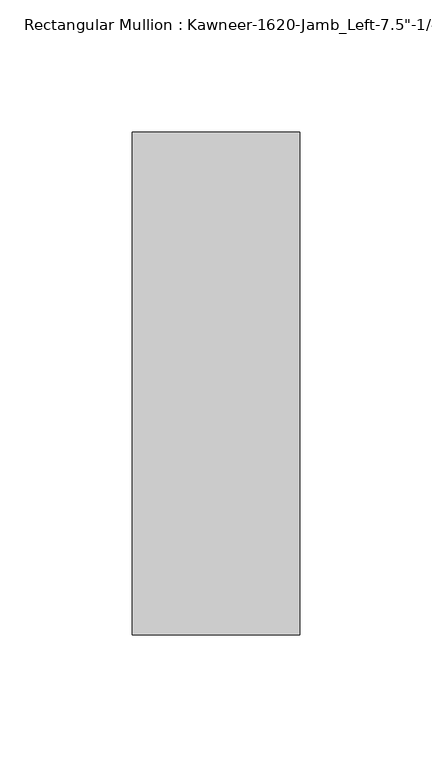
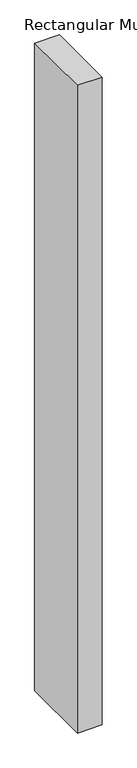
"""IFC4 building model written with IfcOpenShell, lengths in millimetres: member geometry."""

from ifc_helpers import new_model, si_unit, frame, origin, place, context, project, spatial, polyline, outline, extrude, source, transform, mapped, element, save


def member_af8feb14(model_context):
    return source(origin(), model_context, "Body", "SweptSolid", [
        extrude(outline(polyline([(22.225, 28.575), (22.225, -161.925), (-41.275, -161.925), (-41.275, 28.575), (22.225, 28.575)])), frame((0.0, 0.0, -1765.3), z_axis=(0.0, 0.0, 1.0), x_axis=(1.0, 0.0, 0.0)), (0.0, 0.0, 1.0), 1765.3),
    ])


if __name__ == "__main__":
    model = new_model("IFC4")
    model_context = context("Model", 3, world=origin())
    ifc_project = project(units=[si_unit("LENGTHUNIT", "METRE", prefix="MILLI")], contexts=[model_context])
    site = spatial("IfcSite", under=ifc_project)
    building = spatial("IfcBuilding", under=site)
    placement = place(None, origin())
    member_shape = member_af8feb14(model_context)
    element("IfcMember", 1, ObjectType="Rectangular Mullion : Kawneer-1620-Jamb_Left-7.5\"-1/4\"Infill", at=placement, inside=building, context=model_context, shape_type="MappedRepresentation", body=[
        mapped(member_shape, transform((0.0, 0.0, 0.0), x_axis=(1.0, 0.0, 0.0), y_axis=(0.0, 1.0, 0.0), z_axis=(0.0, 0.0, 1.0))),
    ])
    save(model, "model.ifc")
